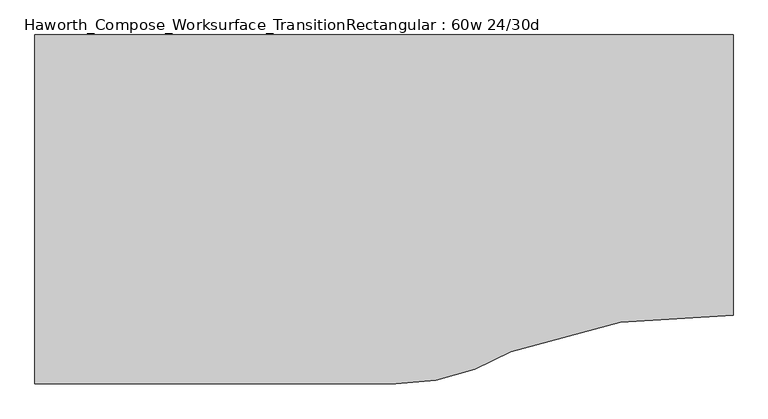
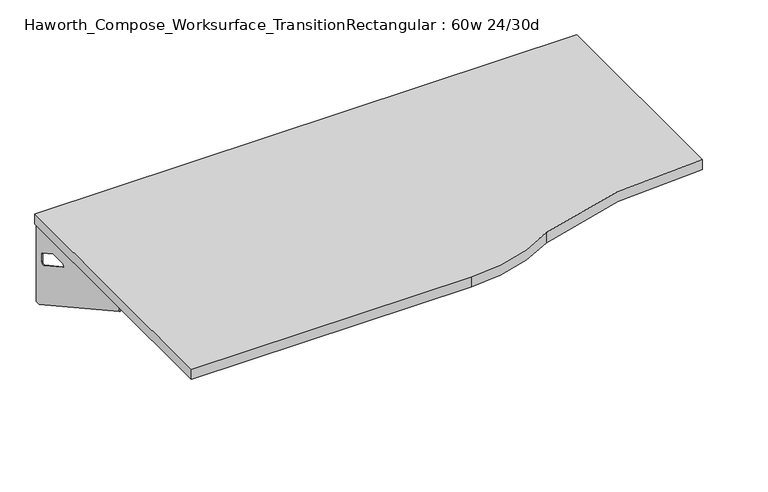
"""IFC4 building model written with IfcOpenShell, lengths in millimetres: furniture geometry, Haworth_Compose_Worksurface_TransitionRectangular : 60w 24/30d."""

import ifcopenshell
import ifcopenshell.guid

model = None  # the IFC model being written
_history = None  # IfcOwnerHistory: only IFC2X3 demands one
_inside = {}  # id of a spatial element -> (the spatial element, [elements in it])
_under = {}  # id of a project, library or spatial element -> (it, [spatial elements below it])
_declared = {}  # id of a project -> (the project, [libraries it declares])
_typed = {}  # id of a type object -> (the type object, [elements of that type])
_made_of = {}  # id of a material, layer set ... -> (it, [elements and type objects made of it])


def new_model(schema):
    """Start an empty IFC model of exactly this schema.

    Asked for "IFC4X3", IfcOpenShell would pick the latest addendum, in which some entities
    have other attributes; the version numbers below select the first issue.
    IFC2X3 requires an IfcOwnerHistory on every rooted entity: one is made here for all.
    """
    global model, _history
    if schema == "IFC4X3":
        model = ifcopenshell.file(schema_version=(4, 3, 0, 0))
    else:
        model = ifcopenshell.file(schema=schema)
    _inside.clear()
    _under.clear()
    _declared.clear()
    _typed.clear()
    _made_of.clear()
    _history = None
    if model.schema == "IFC2X3":
        org = make("IfcOrganization", Name="unknown")
        user = make(
            "IfcPersonAndOrganization",
            ThePerson=make("IfcPerson", FamilyName="unknown"),
            TheOrganization=org,
        )
        app = make(
            "IfcApplication",
            ApplicationDeveloper=org,
            Version="unknown",
            ApplicationFullName="unknown",
            ApplicationIdentifier="unknown",
        )
        _history = make(
            "IfcOwnerHistory",
            OwningUser=user,
            OwningApplication=app,
            ChangeAction="ADDED",
            CreationDate=0,
        )
    return model


def make(cls, **values):
    """One entity of the class cls with the attributes given. An attribute that is None is left unset."""
    return model.create_entity(
        cls, **{name: value for name, value in values.items() if value is not None}
    )


def rooted(cls, **values):
    """An entity with a GlobalId (a new one), such as an element, a storey or a relation."""
    return make(cls, GlobalId=ifcopenshell.guid.new(), OwnerHistory=_history, **values)


def si_unit(unit_type, name, prefix=None):
    """IfcSIUnit, for example si_unit("LENGTHUNIT", "METRE", prefix="MILLI")."""
    return make("IfcSIUnit", UnitType=unit_type, Prefix=prefix, Name=name)


def assignment(units):
    """IfcUnitAssignment: the units of a project."""
    return None if units is None else make("IfcUnitAssignment", Units=units)


def point(xyz):
    """IfcCartesianPoint."""
    return None if xyz is None else make("IfcCartesianPoint", Coordinates=xyz)


def direction(xyz):
    """IfcDirection."""
    return None if xyz is None else make("IfcDirection", DirectionRatios=xyz)


def frame(location, z_axis=None, x_axis=None):
    """IfcAxis2Placement3D, a coordinate frame: its origin and axes. An axis left out is left unset."""
    return make(
        "IfcAxis2Placement3D",
        Location=point(location),
        Axis=direction(z_axis),
        RefDirection=direction(x_axis),
    )


def frame_2d(location, x_axis=None):
    """IfcAxis2Placement2D, a coordinate frame in the plane: its origin and x axis."""
    return make(
        "IfcAxis2Placement2D", Location=point(location), RefDirection=direction(x_axis)
    )


def origin():
    """The frame at (0, 0, 0) with its axes left unset."""
    return frame((0.0, 0.0, 0.0))


def place(relative_to, where):
    """IfcLocalPlacement: puts the frame where relative to a parent placement (None: the world)."""
    return make(
        "IfcLocalPlacement", PlacementRelTo=relative_to, RelativePlacement=where
    )


def context(
    kind, dimensions, precision=None, world=None, true_north=None, identifier=None
):
    """IfcGeometricRepresentationContext, for example the 3D "Model" context."""
    return make(
        "IfcGeometricRepresentationContext",
        ContextIdentifier=identifier,
        ContextType=kind,
        CoordinateSpaceDimension=dimensions,
        Precision=precision,
        WorldCoordinateSystem=world,
        TrueNorth=true_north,
    )


def project(units=None, contexts=None):
    """IfcProject with its units and contexts."""
    return rooted(
        "IfcProject",
        Name="project",
        RepresentationContexts=contexts,
        UnitsInContext=assignment(units),
    )


def spatial(cls, under=None, at=None, **own):
    """A site, building, storey or space (cls), placed at a placement, below another one or the project."""
    s = rooted(cls, ObjectPlacement=at, **own)
    if under is not None:
        _under.setdefault(under.id(), (under, []))[1].append(s)
    return s


def polyline(points):
    """IfcPolyline through the points."""
    return make("IfcPolyline", Points=[point(p) for p in points])


def circle_curve(where, radius):
    """IfcCircle in the frame where."""
    return make("IfcCircle", Position=where, Radius=radius)


def trimmed(basis, trim1, trim2, sense, master):
    """IfcTrimmedCurve: the piece of a basis curve between two trims."""
    return make(
        "IfcTrimmedCurve",
        BasisCurve=basis,
        Trim1=trim1,
        Trim2=trim2,
        SenseAgreement=sense,
        MasterRepresentation=master,
    )


def segment(curve, same_sense, transition):
    """IfcCompositeCurveSegment."""
    return make(
        "IfcCompositeCurveSegment",
        Transition=transition,
        SameSense=same_sense,
        ParentCurve=curve,
    )


def composite_curve(segments, self_intersect=None):
    """IfcCompositeCurve: segments joined end to end."""
    return make("IfcCompositeCurve", Segments=segments, SelfIntersect=self_intersect)


def outline(outer, holes=None, kind="AREA"):
    """IfcArbitraryClosedProfileDef: a profile drawn as a closed curve; with holes, ...WithVoids."""
    if holes is None:
        return make("IfcArbitraryClosedProfileDef", ProfileType=kind, OuterCurve=outer)
    return make(
        "IfcArbitraryProfileDefWithVoids",
        ProfileType=kind,
        OuterCurve=outer,
        InnerCurves=holes,
    )


def extrude(swept, where, along, depth):
    """IfcExtrudedAreaSolid: the profile swept, set in the frame where, extruded along a direction by depth."""
    return make(
        "IfcExtrudedAreaSolid",
        SweptArea=swept,
        Position=where,
        ExtrudedDirection=direction(along),
        Depth=depth,
    )


def shape(context_of_items, identifier, shape_type, items):
    """IfcShapeRepresentation: the items that make up one representation, for example the "Body"."""
    return make(
        "IfcShapeRepresentation",
        ContextOfItems=context_of_items,
        RepresentationIdentifier=identifier,
        RepresentationType=shape_type,
        Items=items,
    )


def source(mapping_origin, context_of_items, identifier, shape_type, items):
    """IfcRepresentationMap: a shape defined once, which mapped items show again and again."""
    return make(
        "IfcRepresentationMap",
        MappingOrigin=mapping_origin,
        MappedRepresentation=shape(context_of_items, identifier, shape_type, items),
    )


def transform(
    local_origin,
    x_axis=None,
    y_axis=None,
    z_axis=None,
    scale=None,
    scale2=None,
    scale3=None,
    uniform=True,
):
    """IfcCartesianTransformationOperator3D, or its non-uniform kind. x_axis, y_axis, z_axis: its Axis1, 2, 3."""
    if uniform:
        return make(
            "IfcCartesianTransformationOperator3D",
            Axis1=direction(x_axis),
            Axis2=direction(y_axis),
            LocalOrigin=point(local_origin),
            Scale=scale,
            Axis3=direction(z_axis),
        )
    return make(
        "IfcCartesianTransformationOperator3DnonUniform",
        Axis1=direction(x_axis),
        Axis2=direction(y_axis),
        LocalOrigin=point(local_origin),
        Scale=scale,
        Axis3=direction(z_axis),
        Scale2=scale2,
        Scale3=scale3,
    )


def mapped(mapping_source, mapping_target):
    """IfcMappedItem: shows the shape of a source again, moved by a transform."""
    return make(
        "IfcMappedItem", MappingSource=mapping_source, MappingTarget=mapping_target
    )


def made_of(thing, what):
    """Note that an element or type object is made of a material, layer set ...; save() writes the relation."""
    if what is not None:
        _made_of.setdefault(what.id(), (what, []))[1].append(thing)
    return thing


def element(
    cls,
    number,
    at=None,
    inside=None,
    cuts=None,
    type_object=None,
    material=None,
    context=None,
    identifier="Body",
    shape_type=None,
    held_by="IfcProductDefinitionShape",
    body=None,
    shapes=None,
    **own,
):
    """One element of the class cls, such as IfcWall. Its Tag is "e" and its number.

    at: its placement. inside: the storey or other place that contains it. cuts: it is an
    opening in that element (IfcRelVoidsElement). A single representation is given by context,
    identifier, shape_type and body (its items); several are given by shapes. held_by: the class
    of the entity that holds the representations. save() writes the other relations.
    """
    e = rooted(cls, Tag="e%d" % number, ObjectPlacement=at, **own)
    if body is not None:
        shapes = [shape(context, identifier, shape_type, body)]
    if shapes is not None:
        e.Representation = make(held_by, Representations=shapes)
    if inside is not None:
        _inside.setdefault(inside.id(), (inside, []))[1].append(e)
    if cuts is not None:
        rooted(
            "IfcRelVoidsElement", RelatingBuildingElement=cuts, RelatedOpeningElement=e
        )
    if type_object is not None:
        _typed.setdefault(type_object.id(), (type_object, []))[1].append(e)
    return made_of(e, material)


def aggregate(whole, parts):
    """IfcRelAggregates: a whole, such as a stair, and the parts it consists of."""
    return rooted("IfcRelAggregates", RelatingObject=whole, RelatedObjects=parts)


def save(model, path):
    """Write the relations noted so far, then the file.

    IfcRelAggregates (storeys below a building ...), IfcRelContainedInSpatialStructure (elements
    in a storey), IfcRelDefinesByType, IfcRelAssociatesMaterial and IfcRelDeclares: one each for
    every whole, place, type object, material and project.
    """
    for whole, parts in _under.values():
        aggregate(whole, parts)
    for where, things in _inside.values():
        rooted(
            "IfcRelContainedInSpatialStructure",
            RelatedElements=things,
            RelatingStructure=where,
        )
    for kind, things in _typed.values():
        rooted("IfcRelDefinesByType", RelatedObjects=things, RelatingType=kind)
    for what, things in _made_of.values():
        rooted("IfcRelAssociatesMaterial", RelatedObjects=things, RelatingMaterial=what)
    for by, libraries in _declared.values():
        rooted("IfcRelDeclares", RelatingContext=by, RelatedDefinitions=libraries)
    model.write(path)


def plane_surface(at):
    """IfcPlane: the flat surface through the origin of the frame at, square to its z axis."""
    return make("IfcPlane", Position=at)


def revolved_surface(curve, axis_point, axis_direction):
    """IfcSurfaceOfRevolution: the curve turned about the line through axis_point along axis_direction."""
    return make(
        "IfcSurfaceOfRevolution",
        SweptCurve=make("IfcArbitraryOpenProfileDef", ProfileType="CURVE", Curve=curve),
        AxisPosition=make("IfcAxis1Placement", Location=point(axis_point), Axis=direction(axis_direction)),
    )


def advanced_brep(points, edges, surfaces, faces):
    """IfcAdvancedBrep: a solid bounded by faces that lie on surfaces and meet in shared edges.

    An edge is (start, end): straight between two places in points (the first is 0);
    or (start, end, curve); or (start, end, curve, False) where it runs against its curve.
    A face is (place in surfaces, loops), or (place, loops, False) where it looks against
    its surface's normal. A loop lists edges by number (the first is 1), with a minus sign
    where the edge is run from its end to its start. The first loop is the outer one.
    """
    corners = [point(p) for p in points]
    vertices = [make("IfcVertexPoint", VertexGeometry=c) for c in corners]
    made = []
    for start, end, *more in edges:
        made.append(
            make(
                "IfcEdgeCurve",
                EdgeStart=vertices[start],
                EdgeEnd=vertices[end],
                EdgeGeometry=more[0] if more else make("IfcPolyline", Points=[corners[start], corners[end]]),
                SameSense=more[1] if len(more) > 1 else True,
            )
        )
    hull = []
    for where, loops, *sense in faces:
        bounds = []
        for j, loop in enumerate(loops):
            ring = [make("IfcOrientedEdge", EdgeElement=made[abs(k) - 1], Orientation=k > 0) for k in loop]
            bounds.append(
                make(
                    "IfcFaceOuterBound" if j == 0 else "IfcFaceBound",
                    Bound=make("IfcEdgeLoop", EdgeList=ring),
                    Orientation=True,
                )
            )
        hull.append(make("IfcAdvancedFace", Bounds=bounds, FaceSurface=surfaces[where], SameSense=sense[0] if sense else True))
    return make("IfcAdvancedBrep", Outer=make("IfcClosedShell", CfsFaces=hull))


def haworth_compose_worksurface_transitionrectangular_60w_24_30d_60c481c0(model_context):
    return source(origin(), model_context, "Body", "SolidModel", [
        advanced_brep(
        [(737.39375, 228.6, 475.45625), (737.39375, 212.725, 475.45625), (737.39375, -177.8, 691.7192568), (737.39375, -177.8, 704.05625), (737.39375, 212.725, 704.05625), (737.39375, 228.6, 704.05625), (737.39375, 145.290072, 665.95625), (737.39375, 101.6355284, 665.95625), (737.39375, 98.9564235, 656.3705539), (737.39375, 190.6776173, 605.5776439), (737.39375, 200.025, 611.1756969), (737.39375, 200.025, 634.6860246), (737.39375, 198.2730055, 637.5242776), (737.39375, 148.3663437, 665.1613425), (739.775, 228.6, 475.45625), (739.775, 228.6, 704.05625), (739.775, 212.725, 704.05625), (739.775, 212.725, 706.4375), (739.775, -177.8, 706.4375), (739.775, -177.8, 691.7192568), (739.775, 212.725, 475.45625), (739.775, 145.290072, 665.95625), (739.775, 148.3663437, 665.1613425), (739.775, 198.2730055, 637.5242776), (739.775, 200.025, 634.6860246), (739.775, 200.025, 611.1756969), (739.775, 190.6776173, 605.5776439), (739.775, 98.9564235, 656.3705539), (739.775, 101.6355284, 665.95625), (698.5, -177.8, 706.4375), (698.5, -177.8, 704.05625), (698.5, 212.725, 704.05625), (698.5, 212.725, 706.4375)],
        [
            (0, 1),
            (1, 2),
            (2, 3),
            (3, 4),
            (4, 5),
            (5, 0),
            (6, 7),
            (7, 8, circle_curve(frame((737.39375, 101.6355284, 660.7890106), z_axis=(1.0, 0.0, 0.0), x_axis=(0.0, -1.0, 0.0)), 5.1672394)),
            (8, 9),
            (9, 10, circle_curve(frame((737.39375, 193.675, 611.1756969), z_axis=(1.0, 0.0, 0.0), x_axis=(0.0, -1.0, 0.0)), 6.35)),
            (10, 11),
            (11, 12, circle_curve(frame((737.39375, 196.85, 634.6860246), z_axis=(1.0, 0.0, 0.0), x_axis=(0.0, -1.0, 0.0)), 3.175)),
            (12, 13),
            (13, 6, circle_curve(frame((737.39375, 145.290072, 659.60625), z_axis=(1.0, 0.0, 0.0), x_axis=(0.0, -1.0, 0.0)), 6.35)),
            (14, 15),
            (15, 16),
            (16, 17),
            (17, 18),
            (18, 19),
            (19, 20),
            (20, 14),
            (21, 22, circle_curve(frame((739.775, 145.290072, 659.60625), z_axis=(-1.0, 0.0, 0.0), x_axis=(0.0, -1.0, 0.0)), 6.35)),
            (22, 23),
            (23, 24, circle_curve(frame((739.775, 196.85, 634.6860246), z_axis=(-1.0, 0.0, 0.0), x_axis=(0.0, -1.0, 0.0)), 3.175)),
            (24, 25),
            (25, 26, circle_curve(frame((739.775, 193.675, 611.1756969), z_axis=(-1.0, 0.0, 0.0), x_axis=(0.0, -1.0, 0.0)), 6.35)),
            (26, 27),
            (27, 28, circle_curve(frame((739.775, 101.6355284, 660.7890106), z_axis=(-1.0, 0.0, 0.0), x_axis=(0.0, -1.0, 0.0)), 5.1672394)),
            (28, 21),
            (4, 16),
            (15, 5),
            (14, 0),
            (20, 1),
            (19, 2),
            (18, 29),
            (29, 30),
            (30, 3),
            (6, 21),
            (28, 7),
            (9, 26),
            (25, 10),
            (24, 11),
            (23, 12),
            (27, 8),
            (31, 4),
            (30, 31),
            (32, 29),
            (17, 32),
            (31, 32),
            (22, 13),
        ],
        [
            plane_surface(frame((737.39375, 228.6, 475.45625), z_axis=(-1.0, 0.0, 0.0), x_axis=(0.0, 1.0, 0.0))),
            plane_surface(frame((739.775, 228.6, 475.45625), z_axis=(1.0, 0.0, 0.0), x_axis=(0.0, -1.0, 0.0))),
            plane_surface(frame((739.775, -177.8, 704.05625), z_axis=(0.0, 0.0, 1.0), x_axis=(-1.0, 0.0, 0.0))),
            plane_surface(frame((739.775, 228.6, 704.05625), z_axis=(0.0, 1.0, 0.0), x_axis=(-1.0, 0.0, 0.0))),
            plane_surface(frame((739.775, 228.6, 475.45625), z_axis=(0.0, 0.0, -1.0), x_axis=(-1.0, 0.0, 0.0))),
            plane_surface(frame((739.775, 212.725, 475.45625), z_axis=(0.0, -0.48445223513455843, -0.8748177135112952), x_axis=(-1.0, 0.0, 0.0))),
            plane_surface(frame((739.775, -177.8, 691.7192568), z_axis=(0.0, -1.0, 0.0), x_axis=(-1.0, 0.0, 0.0))),
            plane_surface(frame((739.775, 145.290072, 665.95625), z_axis=(0.0, 0.0, -1.0), x_axis=(-1.0, 0.0, 0.0))),
            revolved_surface(polyline([(737.39375, 187.32500000000002, 611.1756969), (739.775, 187.32500000000002, 611.1756969)]), (739.775, 193.675, 611.1756969), (-1.0, 0.0, 0.0)),
            plane_surface(frame((739.775, 200.025, 611.1756969), z_axis=(0.0, -1.0, 0.0), x_axis=(-1.0, 0.0, 0.0))),
            revolved_surface(polyline([(737.39375, 193.67499999999998, 634.6860246), (739.775, 193.67499999999998, 634.6860246)]), (739.775, 196.85, 634.6860246), (-1.0, 0.0, 0.0)),
            revolved_surface(polyline([(737.39375, 96.468289, 660.7890106), (739.775, 96.468289, 660.7890106)]), (739.775, 101.6355284, 660.7890106), (-1.0, 0.0, 0.0)),
            plane_surface(frame((739.775, 212.725, 704.05625), z_axis=(0.0, 0.0, -1.0), x_axis=(-1.0, 0.0, 0.0))),
            plane_surface(frame((739.775, 212.725, 706.4375), z_axis=(0.0, 0.0, 1.0), x_axis=(1.0, 0.0, 0.0))),
            plane_surface(frame((698.5, 212.725, 706.4375), z_axis=(0.0, 1.0, 0.0), x_axis=(0.0, 0.0, -1.0))),
            plane_surface(frame((698.5, -177.8, 706.4375), z_axis=(-1.0, 0.0, 0.0), x_axis=(0.0, 0.0, -1.0))),
            plane_surface(frame((739.775, 98.9564235, 656.3705539), z_axis=(0.0, 0.4844522351345583, 0.8748177135112953), x_axis=(-1.0, 0.0, 0.0))),
            plane_surface(frame((739.775, 198.2730055, 637.5242776), z_axis=(0.0, -0.4844522351345582, -0.8748177135112953), x_axis=(-1.0, 0.0, 0.0))),
            revolved_surface(polyline([(737.39375, 138.94007200000001, 659.60625), (739.775, 138.94007200000001, 659.60625)]), (739.775, 145.290072, 659.60625), (-1.0, 0.0, 0.0)),
        ],
        [
            (0, [[1, 2, 3, 4, 5, 6], [7, 8, 9, 10, 11, 12, 13, 14]]),
            (1, [[15, 16, 17, 18, 19, 20, 21], [22, 23, 24, 25, 26, 27, 28, 29]]),
            (2, [[-5, 30, -16, 31]]),
            (3, [[-31, -15, 32, -6]]),
            (4, [[-32, -21, 33, -1]]),
            (5, [[-33, -20, 34, -2]]),
            (6, [[-34, -19, 35, 36, 37, -3]]),
            (7, [[38, -29, 39, -7]]),
            (8, [[40, -26, 41, -10]]),
            (9, [[-41, -25, 42, -11]]),
            (10, [[-42, -24, 43, -12]]),
            (11, [[-39, -28, 44, -8]]),
            (12, [[45, -4, -37, 46]]),
            (13, [[47, -35, -18, 48]]),
            (14, [[-17, -30, -45, 49, -48]]),
            (15, [[-36, -47, -49, -46]]),
            (16, [[-44, -27, -40, -9]]),
            (17, [[-43, -23, 50, -13]]),
            (18, [[-50, -22, -38, -14]]),
        ],
    ),
        advanced_brep(
        [(-775.49375, 228.6, 475.45625), (-775.49375, 228.6, 704.05625), (-775.49375, 212.725, 704.05625), (-775.49375, -177.8, 704.05625), (-775.49375, -177.8, 691.7192568), (-775.49375, 212.725, 475.45625), (-775.49375, 145.290072, 665.95625), (-775.49375, 148.3663437, 665.1613425), (-775.49375, 198.2730055, 637.5242776), (-775.49375, 200.025, 634.6860246), (-775.49375, 200.025, 611.1756969), (-775.49375, 190.6776173, 605.5776439), (-775.49375, 98.9564235, 656.3705539), (-775.49375, 101.6355284, 665.95625), (-777.875, 228.6, 475.45625), (-777.875, 212.725, 475.45625), (-777.875, -177.8, 691.7192568), (-777.875, -177.8, 706.4375), (-777.875, 212.725, 706.4375), (-777.875, 212.725, 704.05625), (-777.875, 228.6, 704.05625), (-777.875, 145.290072, 665.95625), (-777.875, 101.6355284, 665.95625), (-777.875, 98.9564235, 656.3705539), (-777.875, 190.6776173, 605.5776439), (-777.875, 200.025, 611.1756969), (-777.875, 200.025, 634.6860246), (-777.875, 198.2730055, 637.5242776), (-777.875, 148.3663437, 665.1613425), (-736.6, -177.8, 704.05625), (-736.6, -177.8, 706.4375), (-736.6, 212.725, 704.05625), (-736.6, 212.725, 706.4375)],
        [
            (0, 1),
            (1, 2),
            (2, 3),
            (3, 4),
            (4, 5),
            (5, 0),
            (6, 7, circle_curve(frame((-775.49375, 145.290072, 659.60625), z_axis=(-1.0, 0.0, 0.0), x_axis=(0.0, -1.0, 0.0)), 6.35)),
            (7, 8),
            (8, 9, circle_curve(frame((-775.49375, 196.85, 634.6860246), z_axis=(-1.0, 0.0, 0.0), x_axis=(0.0, -1.0, 0.0)), 3.175)),
            (9, 10),
            (10, 11, circle_curve(frame((-775.49375, 193.675, 611.1756969), z_axis=(-1.0, 0.0, 0.0), x_axis=(0.0, -1.0, 0.0)), 6.35)),
            (11, 12),
            (12, 13, circle_curve(frame((-775.49375, 101.6355284, 660.7890106), z_axis=(-1.0, 0.0, 0.0), x_axis=(0.0, -1.0, 0.0)), 5.1672394)),
            (13, 6),
            (14, 15),
            (15, 16),
            (16, 17),
            (17, 18),
            (18, 19),
            (19, 20),
            (20, 14),
            (21, 22),
            (22, 23, circle_curve(frame((-777.875, 101.6355284, 660.7890106), z_axis=(1.0, 0.0, 0.0), x_axis=(0.0, -1.0, 0.0)), 5.1672394)),
            (23, 24),
            (24, 25, circle_curve(frame((-777.875, 193.675, 611.1756969), z_axis=(1.0, 0.0, 0.0), x_axis=(0.0, -1.0, 0.0)), 6.35)),
            (25, 26),
            (26, 27, circle_curve(frame((-777.875, 196.85, 634.6860246), z_axis=(1.0, 0.0, 0.0), x_axis=(0.0, -1.0, 0.0)), 3.175)),
            (27, 28),
            (28, 21, circle_curve(frame((-777.875, 145.290072, 659.60625), z_axis=(1.0, 0.0, 0.0), x_axis=(0.0, -1.0, 0.0)), 6.35)),
            (1, 20),
            (19, 2),
            (0, 14),
            (5, 15),
            (4, 16),
            (3, 29),
            (29, 30),
            (30, 17),
            (13, 22),
            (21, 6),
            (10, 25),
            (24, 11),
            (9, 26),
            (8, 27),
            (12, 23),
            (31, 29),
            (2, 31),
            (32, 18),
            (30, 32),
            (32, 31),
            (7, 28),
        ],
        [
            plane_surface(frame((-775.49375, 228.6, 475.45625), z_axis=(1.0, 0.0, 0.0), x_axis=(0.0, 1.0, 0.0))),
            plane_surface(frame((-777.875, 228.6, 475.45625), z_axis=(-1.0, 0.0, 0.0), x_axis=(0.0, -1.0, 0.0))),
            plane_surface(frame((-777.875, -177.8, 704.05625), z_axis=(0.0, 0.0, 1.0), x_axis=(1.0, 0.0, 0.0))),
            plane_surface(frame((-777.875, 228.6, 704.05625), z_axis=(0.0, 1.0, 0.0), x_axis=(1.0, 0.0, 0.0))),
            plane_surface(frame((-777.875, 228.6, 475.45625), z_axis=(0.0, 0.0, -1.0), x_axis=(1.0, 0.0, 0.0))),
            plane_surface(frame((-777.875, 212.725, 475.45625), z_axis=(0.0, -0.48445223513455843, -0.8748177135112952), x_axis=(1.0, 0.0, 0.0))),
            plane_surface(frame((-777.875, -177.8, 691.7192568), z_axis=(0.0, -1.0, 0.0), x_axis=(1.0, 0.0, 0.0))),
            plane_surface(frame((-777.875, 145.290072, 665.95625), z_axis=(0.0, 0.0, -1.0), x_axis=(1.0, 0.0, 0.0))),
            revolved_surface(polyline([(-775.49375, 187.32500000000002, 611.1756969), (-777.875, 187.32500000000002, 611.1756969)]), (-777.875, 193.675, 611.1756969), (1.0, 0.0, 0.0)),
            plane_surface(frame((-777.875, 200.025, 611.1756969), z_axis=(0.0, -1.0, 0.0), x_axis=(1.0, 0.0, 0.0))),
            revolved_surface(polyline([(-775.49375, 193.67499999999998, 634.6860246), (-777.875, 193.67499999999998, 634.6860246)]), (-777.875, 196.85, 634.6860246), (1.0, 0.0, 0.0)),
            revolved_surface(polyline([(-775.49375, 96.468289, 660.7890106), (-777.875, 96.468289, 660.7890106)]), (-777.875, 101.6355284, 660.7890106), (1.0, 0.0, 0.0)),
            plane_surface(frame((-777.875, 212.725, 704.05625), z_axis=(0.0, 0.0, -1.0), x_axis=(1.0, 0.0, 0.0))),
            plane_surface(frame((-777.875, 212.725, 706.4375), z_axis=(0.0, 0.0, 1.0), x_axis=(-1.0, 0.0, 0.0))),
            plane_surface(frame((-736.6, 212.725, 706.4375), z_axis=(0.0, 1.0, 0.0), x_axis=(0.0, 0.0, -1.0))),
            plane_surface(frame((-736.6, -177.8, 706.4375), z_axis=(1.0, 0.0, 0.0), x_axis=(0.0, 0.0, -1.0))),
            plane_surface(frame((-777.875, 98.9564235, 656.3705539), z_axis=(0.0, 0.4844522351345583, 0.8748177135112953), x_axis=(1.0, 0.0, 0.0))),
            plane_surface(frame((-777.875, 198.2730055, 637.5242776), z_axis=(0.0, -0.4844522351345582, -0.8748177135112953), x_axis=(1.0, 0.0, 0.0))),
            revolved_surface(polyline([(-775.49375, 138.94007200000001, 659.60625), (-777.875, 138.94007200000001, 659.60625)]), (-777.875, 145.290072, 659.60625), (1.0, 0.0, 0.0)),
        ],
        [
            (0, [[1, 2, 3, 4, 5, 6], [7, 8, 9, 10, 11, 12, 13, 14]]),
            (1, [[15, 16, 17, 18, 19, 20, 21], [22, 23, 24, 25, 26, 27, 28, 29]]),
            (2, [[30, -20, 31, -2]]),
            (3, [[-1, 32, -21, -30]]),
            (4, [[-6, 33, -15, -32]]),
            (5, [[-5, 34, -16, -33]]),
            (6, [[-4, 35, 36, 37, -17, -34]]),
            (7, [[-14, 38, -22, 39]]),
            (8, [[-11, 40, -25, 41]]),
            (9, [[-10, 42, -26, -40]]),
            (10, [[-9, 43, -27, -42]]),
            (11, [[-13, 44, -23, -38]]),
            (12, [[45, -35, -3, 46]]),
            (13, [[47, -18, -37, 48]]),
            (14, [[-47, 49, -46, -31, -19]]),
            (15, [[-45, -49, -48, -36]]),
            (16, [[-12, -41, -24, -44]]),
            (17, [[-8, 50, -28, -43]]),
            (18, [[-7, -39, -29, -50]]),
        ],
    ),
        extrude(outline(composite_curve([segment(trimmed(circle_curve(frame_2d((692.1932653, -1601.8064208)), 1219.2), [point((742.95, -383.6634103))], [point((258.1318841, -462.4911188))], True, "CARTESIAN"), True, "CONTINUOUS"), segment(trimmed(circle_curve(frame_2d((6.3121416, -50.8)), 482.6), [point((258.1318841, -462.4911188))], [point((6.3121416, -533.4))], False, "CARTESIAN"), True, "CONTINUOUS"), segment(polyline([(6.3121416, -533.4), (-781.05, -533.4), (-781.05, 228.6), (742.95, 228.6), (742.95, -383.6634103)]), True, "CONTINUOUS")], self_intersect=False)), frame((0.0, 0.0, 706.4375), z_axis=(0.0, 0.0, 1.0), x_axis=(1.0, 0.0, 0.0)), (0.0, 0.0, 1.0), 30.1625),
    ])


if __name__ == "__main__":
    model = new_model("IFC4")
    model_context = context("Model", 3, world=origin())
    ifc_project = project(units=[si_unit("LENGTHUNIT", "METRE", prefix="MILLI")], contexts=[model_context])
    site = spatial("IfcSite", under=ifc_project)
    building = spatial("IfcBuilding", under=site)
    placement = place(None, origin())
    haworth_compose_worksurface_transitionrectangular_60w_24_30d_shape = haworth_compose_worksurface_transitionrectangular_60w_24_30d_60c481c0(model_context)
    element("IfcFurniture", 1, ObjectType="Haworth_Compose_Worksurface_TransitionRectangular : 60w 24/30d", at=placement, inside=building, context=model_context, shape_type="MappedRepresentation", body=[
        mapped(haworth_compose_worksurface_transitionrectangular_60w_24_30d_shape, transform((0.0, 0.0, 0.0), x_axis=(1.0, 0.0, 0.0), y_axis=(0.0, 1.0, 0.0), z_axis=(0.0, 0.0, 1.0))),
    ])
    save(model, "model.ifc")
